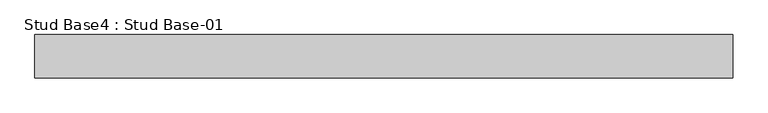
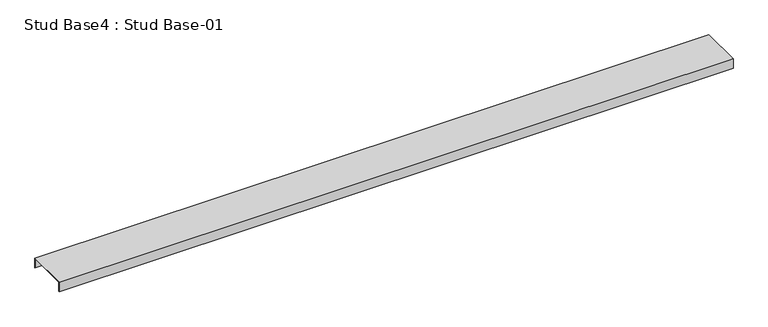
"""IFC4 building model written with IfcOpenShell, lengths in millimetres: proxy geometry, Stud Base4 : Stud Base-01."""

import ifcopenshell
import ifcopenshell.guid

model = None  # the IFC model being written
_history = None  # IfcOwnerHistory: only IFC2X3 demands one
_inside = {}  # id of a spatial element -> (the spatial element, [elements in it])
_under = {}  # id of a project, library or spatial element -> (it, [spatial elements below it])
_declared = {}  # id of a project -> (the project, [libraries it declares])
_typed = {}  # id of a type object -> (the type object, [elements of that type])
_made_of = {}  # id of a material, layer set ... -> (it, [elements and type objects made of it])


def new_model(schema):
    """Start an empty IFC model of exactly this schema.

    Asked for "IFC4X3", IfcOpenShell would pick the latest addendum, in which some entities
    have other attributes; the version numbers below select the first issue.
    IFC2X3 requires an IfcOwnerHistory on every rooted entity: one is made here for all.
    """
    global model, _history
    if schema == "IFC4X3":
        model = ifcopenshell.file(schema_version=(4, 3, 0, 0))
    else:
        model = ifcopenshell.file(schema=schema)
    _inside.clear()
    _under.clear()
    _declared.clear()
    _typed.clear()
    _made_of.clear()
    _history = None
    if model.schema == "IFC2X3":
        org = make("IfcOrganization", Name="unknown")
        user = make(
            "IfcPersonAndOrganization",
            ThePerson=make("IfcPerson", FamilyName="unknown"),
            TheOrganization=org,
        )
        app = make(
            "IfcApplication",
            ApplicationDeveloper=org,
            Version="unknown",
            ApplicationFullName="unknown",
            ApplicationIdentifier="unknown",
        )
        _history = make(
            "IfcOwnerHistory",
            OwningUser=user,
            OwningApplication=app,
            ChangeAction="ADDED",
            CreationDate=0,
        )
    return model


def make(cls, **values):
    """One entity of the class cls with the attributes given. An attribute that is None is left unset."""
    return model.create_entity(
        cls, **{name: value for name, value in values.items() if value is not None}
    )


def rooted(cls, **values):
    """An entity with a GlobalId (a new one), such as an element, a storey or a relation."""
    return make(cls, GlobalId=ifcopenshell.guid.new(), OwnerHistory=_history, **values)


def si_unit(unit_type, name, prefix=None):
    """IfcSIUnit, for example si_unit("LENGTHUNIT", "METRE", prefix="MILLI")."""
    return make("IfcSIUnit", UnitType=unit_type, Prefix=prefix, Name=name)


def assignment(units):
    """IfcUnitAssignment: the units of a project."""
    return None if units is None else make("IfcUnitAssignment", Units=units)


def point(xyz):
    """IfcCartesianPoint."""
    return None if xyz is None else make("IfcCartesianPoint", Coordinates=xyz)


def direction(xyz):
    """IfcDirection."""
    return None if xyz is None else make("IfcDirection", DirectionRatios=xyz)


def frame(location, z_axis=None, x_axis=None):
    """IfcAxis2Placement3D, a coordinate frame: its origin and axes. An axis left out is left unset."""
    return make(
        "IfcAxis2Placement3D",
        Location=point(location),
        Axis=direction(z_axis),
        RefDirection=direction(x_axis),
    )


def origin():
    """The frame at (0, 0, 0) with its axes left unset."""
    return frame((0.0, 0.0, 0.0))


def place(relative_to, where):
    """IfcLocalPlacement: puts the frame where relative to a parent placement (None: the world)."""
    return make(
        "IfcLocalPlacement", PlacementRelTo=relative_to, RelativePlacement=where
    )


def context(
    kind, dimensions, precision=None, world=None, true_north=None, identifier=None
):
    """IfcGeometricRepresentationContext, for example the 3D "Model" context."""
    return make(
        "IfcGeometricRepresentationContext",
        ContextIdentifier=identifier,
        ContextType=kind,
        CoordinateSpaceDimension=dimensions,
        Precision=precision,
        WorldCoordinateSystem=world,
        TrueNorth=true_north,
    )


def project(units=None, contexts=None):
    """IfcProject with its units and contexts."""
    return rooted(
        "IfcProject",
        Name="project",
        RepresentationContexts=contexts,
        UnitsInContext=assignment(units),
    )


def spatial(cls, under=None, at=None, **own):
    """A site, building, storey or space (cls), placed at a placement, below another one or the project."""
    s = rooted(cls, ObjectPlacement=at, **own)
    if under is not None:
        _under.setdefault(under.id(), (under, []))[1].append(s)
    return s


def polyline(points):
    """IfcPolyline through the points."""
    return make("IfcPolyline", Points=[point(p) for p in points])


def outline(outer, holes=None, kind="AREA"):
    """IfcArbitraryClosedProfileDef: a profile drawn as a closed curve; with holes, ...WithVoids."""
    if holes is None:
        return make("IfcArbitraryClosedProfileDef", ProfileType=kind, OuterCurve=outer)
    return make(
        "IfcArbitraryProfileDefWithVoids",
        ProfileType=kind,
        OuterCurve=outer,
        InnerCurves=holes,
    )


def extrude(swept, where, along, depth):
    """IfcExtrudedAreaSolid: the profile swept, set in the frame where, extruded along a direction by depth."""
    return make(
        "IfcExtrudedAreaSolid",
        SweptArea=swept,
        Position=where,
        ExtrudedDirection=direction(along),
        Depth=depth,
    )


def shape(context_of_items, identifier, shape_type, items):
    """IfcShapeRepresentation: the items that make up one representation, for example the "Body"."""
    return make(
        "IfcShapeRepresentation",
        ContextOfItems=context_of_items,
        RepresentationIdentifier=identifier,
        RepresentationType=shape_type,
        Items=items,
    )


def source(mapping_origin, context_of_items, identifier, shape_type, items):
    """IfcRepresentationMap: a shape defined once, which mapped items show again and again."""
    return make(
        "IfcRepresentationMap",
        MappingOrigin=mapping_origin,
        MappedRepresentation=shape(context_of_items, identifier, shape_type, items),
    )


def transform(
    local_origin,
    x_axis=None,
    y_axis=None,
    z_axis=None,
    scale=None,
    scale2=None,
    scale3=None,
    uniform=True,
):
    """IfcCartesianTransformationOperator3D, or its non-uniform kind. x_axis, y_axis, z_axis: its Axis1, 2, 3."""
    if uniform:
        return make(
            "IfcCartesianTransformationOperator3D",
            Axis1=direction(x_axis),
            Axis2=direction(y_axis),
            LocalOrigin=point(local_origin),
            Scale=scale,
            Axis3=direction(z_axis),
        )
    return make(
        "IfcCartesianTransformationOperator3DnonUniform",
        Axis1=direction(x_axis),
        Axis2=direction(y_axis),
        LocalOrigin=point(local_origin),
        Scale=scale,
        Axis3=direction(z_axis),
        Scale2=scale2,
        Scale3=scale3,
    )


def mapped(mapping_source, mapping_target):
    """IfcMappedItem: shows the shape of a source again, moved by a transform."""
    return make(
        "IfcMappedItem", MappingSource=mapping_source, MappingTarget=mapping_target
    )


def made_of(thing, what):
    """Note that an element or type object is made of a material, layer set ...; save() writes the relation."""
    if what is not None:
        _made_of.setdefault(what.id(), (what, []))[1].append(thing)
    return thing


def element(
    cls,
    number,
    at=None,
    inside=None,
    cuts=None,
    type_object=None,
    material=None,
    context=None,
    identifier="Body",
    shape_type=None,
    held_by="IfcProductDefinitionShape",
    body=None,
    shapes=None,
    **own,
):
    """One element of the class cls, such as IfcWall. Its Tag is "e" and its number.

    at: its placement. inside: the storey or other place that contains it. cuts: it is an
    opening in that element (IfcRelVoidsElement). A single representation is given by context,
    identifier, shape_type and body (its items); several are given by shapes. held_by: the class
    of the entity that holds the representations. save() writes the other relations.
    """
    e = rooted(cls, Tag="e%d" % number, ObjectPlacement=at, **own)
    if body is not None:
        shapes = [shape(context, identifier, shape_type, body)]
    if shapes is not None:
        e.Representation = make(held_by, Representations=shapes)
    if inside is not None:
        _inside.setdefault(inside.id(), (inside, []))[1].append(e)
    if cuts is not None:
        rooted(
            "IfcRelVoidsElement", RelatingBuildingElement=cuts, RelatedOpeningElement=e
        )
    if type_object is not None:
        _typed.setdefault(type_object.id(), (type_object, []))[1].append(e)
    return made_of(e, material)


def aggregate(whole, parts):
    """IfcRelAggregates: a whole, such as a stair, and the parts it consists of."""
    return rooted("IfcRelAggregates", RelatingObject=whole, RelatedObjects=parts)


def save(model, path):
    """Write the relations noted so far, then the file.

    IfcRelAggregates (storeys below a building ...), IfcRelContainedInSpatialStructure (elements
    in a storey), IfcRelDefinesByType, IfcRelAssociatesMaterial and IfcRelDeclares: one each for
    every whole, place, type object, material and project.
    """
    for whole, parts in _under.values():
        aggregate(whole, parts)
    for where, things in _inside.values():
        rooted(
            "IfcRelContainedInSpatialStructure",
            RelatedElements=things,
            RelatingStructure=where,
        )
    for kind, things in _typed.values():
        rooted("IfcRelDefinesByType", RelatedObjects=things, RelatingType=kind)
    for what, things in _made_of.values():
        rooted("IfcRelAssociatesMaterial", RelatedObjects=things, RelatingMaterial=what)
    for by, libraries in _declared.values():
        rooted("IfcRelDeclares", RelatingContext=by, RelatedDefinitions=libraries)
    model.write(path)


def stud_base4_stud_base_01_8b17b710(model_context):
    return source(origin(), model_context, "Body", "SweptSolid", [
        extrude(outline(polyline([(-487.1, 6488.0), (-487.1, 6451.0), (-488.6, 6451.0), (-488.6, 6486.0), (-639.6109375, 6486.0), (-639.6109375, 6451.0), (-641.1109375, 6451.0), (-641.1109375, 6488.0), (-487.1, 6488.0)])), frame((-12586.1749894, 0.0, 0.0), z_axis=(1.0, 0.0, 0.0), x_axis=(0.0, 1.0, 0.0)), (0.0, 0.0, 1.0), 2484.0),
    ])


if __name__ == "__main__":
    model = new_model("IFC4")
    model_context = context("Model", 3, world=origin())
    ifc_project = project(units=[si_unit("LENGTHUNIT", "METRE", prefix="MILLI")], contexts=[model_context])
    site = spatial("IfcSite", under=ifc_project)
    building = spatial("IfcBuilding", under=site)
    placement = place(None, origin())
    stud_base4_stud_base_01_shape = stud_base4_stud_base_01_8b17b710(model_context)
    element("IfcBuildingElementProxy", 1, Name="Stud Base4 : Stud Base-01", ObjectType="Stud Base4 : Stud Base-01", at=placement, inside=building, context=model_context, shape_type="MappedRepresentation", body=[
        mapped(stud_base4_stud_base_01_shape, transform((0.0, 0.0, 0.0), x_axis=(1.0, 0.0, 0.0), y_axis=(0.0, 1.0, 0.0), z_axis=(0.0, 0.0, 1.0))),
    ])
    save(model, "model.ifc")
